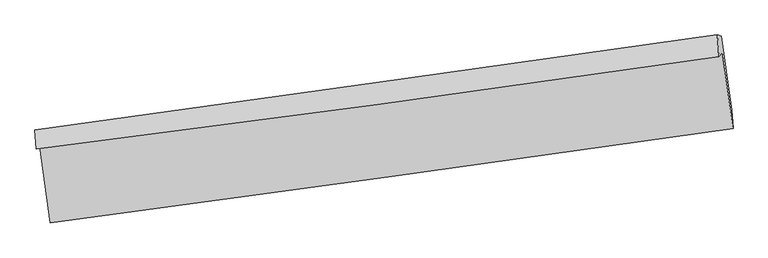
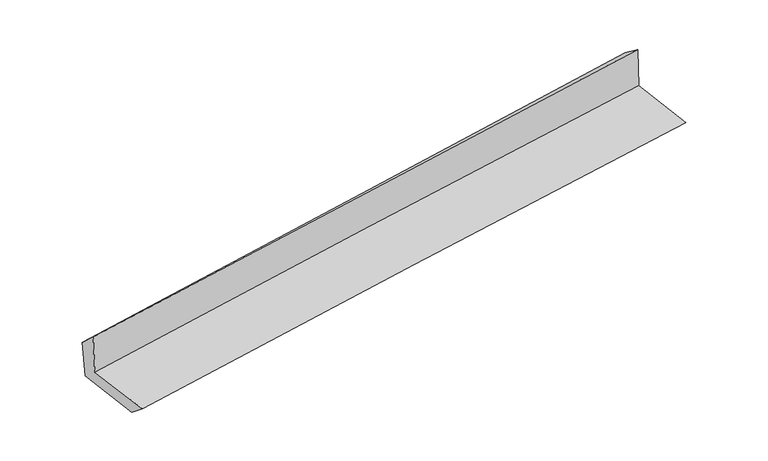
"""IFC4 building model written with IfcOpenShell, lengths in millimetres: proxy geometry."""

from ifc_helpers import new_model, si_unit, frame, origin, place, context, project, spatial, source, transform, mapped, element, save
from ifc_brep_helpers import plane_surface, spline_curve, spline_surface, advanced_brep


def generic_models_46c8a8be(model_context):
    return source(origin(), model_context, "Body", "AdvancedBrep", [
        advanced_brep(
        [(-2991.5997878, -1908.7190745, 1660.5484384), (-2897.4191816, -2573.2394533, 1639.5326971), (3040.0823155, -1752.5588305, 2108.4224684), (2947.3765078, -1089.4928907, 2132.3480038), (-3022.2988392, -1931.9209581, 2058.693187), (2916.9242483, -1124.5592408, 2546.662249), (-3032.5278362, -1764.3493285, 1905.3155999), (2903.2847903, -936.3054554, 2404.3962525), (-3001.5914559, -1760.6409231, 1536.1929605), (2936.4114827, -949.4590307, 2036.151986), (-2909.3190626, -2405.640591, 1505.7202936), (3028.0609424, -1593.4891206, 1994.0458998)],
        [
            (0, 1),
            (1, 2, spline_curve(3, [(-2897.4191816, -2573.2394533, 1639.5326971), (-1908.666266183, -2441.798801466, 1731.465688431), (-919.694983772, -2307.716687929, 1816.493532811), (1059.471834033, -2034.160687613, 1972.801122336), (2049.667717403, -1894.682593922, 2044.069868511), (3040.0823155, -1752.5588305, 2108.4224684)], [4, 2, 4], [0.0, 9.860227184264614, 19.7283043563669])),
            (2, 3),
            (3, 0, spline_curve(3, [(2947.3765078, -1089.4928907, 2132.3480038), (1956.983452373, -1233.641869731, 2068.379371122), (966.67533816, -1374.010868847, 1997.059856399), (-1012.983291805, -1647.080252123, 1839.781644164), (-2002.333943036, -1779.786647537, 1753.83463712), (-2991.5997878, -1908.7190745, 1660.5484384)], [4, 2, 4], [0.0, 9.868077172102284, 19.7283043563669])),
            (4, 0),
            (3, 5),
            (5, 4, spline_curve(3, [(2916.9242483, -1124.5592408, 2546.662249), (1927.303414303, -1269.853688719, 2475.546954451), (937.360674645, -1409.805702049, 2399.306999915), (-1042.380866299, -1678.917778153, 2236.642495679), (-2032.179155875, -1808.086337236, 2150.226096291), (-3022.2988392, -1931.9209581, 2058.693187)], [4, 2, 4], [0.0, 9.869217674498273, 19.73058445389703])),
            (6, 4),
            (5, 7),
            (7, 6, spline_curve(3, [(2903.2847903, -936.3054554, 2404.3962525), (1913.842940618, -1076.224936766, 2321.710585609), (924.274089134, -1215.215420824, 2238.761044063), (-1054.330321857, -1491.228567608, 2072.40040664), (-2043.365679107, -1628.252707824, 1988.989730844), (-3032.5278362, -1764.3493285, 1905.3155999)], [4, 2, 4], [0.0, 9.869239221935292, 19.730627531630226])),
            (8, 6),
            (7, 9),
            (9, 8, spline_curve(3, [(2936.4114827, -949.4590307, 2036.151986), (1945.87927331, -1085.706384129, 1960.50633906), (955.582787739, -1221.45525112, 1881.002150681), (-1023.75115038, -1491.848422528, 1714.3430056), (-2012.788977399, -1626.493519493, 1627.194185522), (-3001.5914559, -1760.6409231, 1536.1929605)], [4, 2, 4], [0.0, 9.869433592894538, 19.73101611892795])),
            (10, 8),
            (9, 11),
            (11, 10, spline_curve(3, [(3028.0609424, -1593.4891206, 1994.0458998), (2037.471543978, -1726.671864554, 1916.683154887), (1047.198427736, -1860.969899223, 1837.290982265), (-931.927737851, -2131.688830003, 1674.512552861), (-1920.781289684, -2268.107951811, 1591.129523312), (-2909.3190626, -2405.640591, 1505.7202936)], [4, 2, 4], [0.0, 9.868229150873509, 19.728608193011276])),
            (1, 10),
            (11, 2),
        ],
        [
            spline_surface(3, 3, [[(-2991.5997878, -1908.7190745, 1660.5484384), (-2002.33394295, -1779.786647426, 1753.834637138), (-1012.983291869, -1647.080252018, 1839.781644147), (966.675338224, -1374.010868952, 1997.059856416), (1956.983452384, -1233.6418697, 2068.379371272), (2947.3765078, -1089.4928907, 2132.3480038)], [(-2960.206252408, -2130.225867464, 1653.543191291), (-1971.111383984, -2000.457365453, 1746.378320929), (-981.88718916, -1867.292397297, 1832.018940346), (997.607503519, -1594.060808569, 1988.973611711), (1987.87820744, -1453.988777722, 2060.276203715), (2978.278443699, -1310.514870633, 2124.372825362)], [(-2928.812716992, -2351.732660336, 1646.537944209), (-1939.888824993, -2221.128083389, 1738.922004747), (-950.791086504, -2087.504542518, 1824.256236596), (1028.539668762, -1814.110748128, 1980.887367056), (2018.772962498, -1674.335685745, 2052.173036073), (3009.180379601, -1531.536850567, 2116.397646838)], [(-2897.4191816, -2573.2394533, 1639.5326971), (-1908.666266027, -2441.798801416, 1731.465688538), (-919.694983796, -2307.716687797, 1816.493532795), (1059.471834057, -2034.160687746, 1972.801122351), (2049.667717553, -1894.682593767, 2044.069868516), (3040.0823155, -1752.5588305, 2108.4224684)]], [4, 4], [4, 2, 4], [0.0, 2.1894312663570483], [0.0, 9.860227184264614, 19.7283043563669]),
            spline_surface(3, 3, [[(-3022.2988392, -1931.9209581, 2058.693187), (-2032.179156023, -1808.086337321, 2150.226096339), (-1042.380866384, -1678.917778141, 2236.6424958), (937.36067473, -1409.805702061, 2399.306999793), (1927.30341425, -1269.853688821, 2475.546954388), (2916.9242483, -1124.5592408, 2546.662249)], [(-3012.06582206, -1924.186996887, 1925.9782708), (-2022.230751658, -1798.653107343, 2018.095609939), (-1032.58167491, -1668.305269417, 2104.355545259), (947.132229197, -1397.874091009, 2265.224618677), (1937.196760277, -1257.783082471, 2339.824426678), (2927.075001449, -1112.870457457, 2408.557500596)], [(-3001.83280494, -1916.453035713, 1793.2633546), (-2012.282347314, -1789.219877404, 1885.965123538), (-1022.782483342, -1657.692760741, 1972.068594688), (956.903783757, -1385.942480004, 2131.142237532), (1947.090106357, -1245.71247605, 2204.101898981), (2937.225754651, -1101.181674043, 2270.452752204)], [(-2991.5997878, -1908.7190745, 1660.5484384), (-2002.33394295, -1779.786647426, 1753.834637138), (-1012.983291869, -1647.080252018, 1839.781644147), (966.675338224, -1374.010868952, 1997.059856416), (1956.983452384, -1233.6418697, 2068.379371272), (2947.3765078, -1089.4928907, 2132.3480038)]], [4, 4], [4, 2, 4], [0.0, 1.3190874993814505], [0.0, 9.861366779398757, 19.73058445389703]),
            spline_surface(3, 3, [[(-3032.5278362, -1764.3493285, 1905.3155999), (-2043.365678975, -1628.252707944, 1988.989730868), (-1054.330321761, -1491.228567682, 2072.40040676), (924.274089037, -1215.215420751, 2238.761043944), (1913.842940684, -1076.224936643, 2321.710585592), (2903.2847903, -936.3054554, 2404.3962525)], [(-3029.118170538, -1820.206538371, 1956.441462274), (-2039.636837996, -1688.197251075, 2042.735186032), (-1050.347169969, -1553.791637848, 2127.147769779), (928.636284267, -1280.078847868, 2292.276362566), (1918.329765219, -1140.767854032, 2372.989375174), (2907.831276313, -999.056717196, 2451.818251316)], [(-3025.708504862, -1876.063748229, 2007.567324626), (-2035.907997002, -1748.141794191, 2096.480641175), (-1046.364018176, -1616.354707974, 2181.895132781), (932.998479499, -1344.942274944, 2345.791681171), (1922.816589715, -1205.310771432, 2424.268164806), (2912.377762287, -1061.807979004, 2499.240250184)], [(-3022.2988392, -1931.9209581, 2058.693187), (-2032.179156023, -1808.086337321, 2150.226096339), (-1042.380866384, -1678.917778141, 2236.6424958), (937.36067473, -1409.805702061, 2399.306999793), (1927.30341425, -1269.853688821, 2475.546954388), (2916.9242483, -1124.5592408, 2546.662249)]], [4, 4], [4, 2, 4], [0.0, 0.8238992075808024], [0.0, 9.861388309694934, 19.730627531630226]),
            spline_surface(3, 3, [[(-3001.5914559, -1760.6409231, 1536.1929605), (-2012.788977442, -1626.493519479, 1627.194185549), (-1023.751150316, -1491.848422521, 1714.343005665), (955.582787675, -1221.455251127, 1881.002150616), (1945.8792734, -1085.706384011, 1960.506338988), (2936.4114827, -949.4590307, 2036.151986)], [(-3011.903582666, -1761.877058212, 1659.233840313), (-2022.981211286, -1627.079915613, 1747.792700668), (-1033.944207441, -1491.641804222, 1833.695472688), (945.146554818, -1219.375307649, 2000.25511505), (1935.200495807, -1082.545901566, 2080.907754526), (2925.369251879, -945.074505611, 2158.900074837)], [(-3022.215709434, -1763.113193388, 1782.274720087), (-2033.173445131, -1627.666311811, 1868.391215749), (-1044.137264635, -1491.43518598, 1953.047939737), (934.710321894, -1217.295364228, 2119.508079509), (1924.521718277, -1079.385419089, 2201.309170054), (2914.327021121, -940.689980489, 2281.648163663)], [(-3032.5278362, -1764.3493285, 1905.3155999), (-2043.365678975, -1628.252707944, 1988.989730868), (-1054.330321761, -1491.228567682, 2072.40040676), (924.274089037, -1215.215420751, 2238.761043944), (1913.842940684, -1076.224936643, 2321.710585592), (2903.2847903, -936.3054554, 2404.3962525)]], [4, 4], [4, 2, 4], [0.0, 1.1786733291752753], [0.0, 9.861582526033413, 19.73101611892795]),
            spline_surface(3, 3, [[(-2909.3190626, -2405.640591, 1505.7202936), (-1920.781289586, -2268.107951929, 1591.12952315), (-931.927737736, -2131.688829868, 1674.51255277), (1047.198427621, -1860.969899358, 1837.290982356), (2037.471544057, -1726.671864626, 1916.683154779), (3028.0609424, -1593.4891206, 1994.0458998)], [(-2940.076527015, -2190.640701697, 1515.877849229), (-1951.450518853, -2054.236474443, 1603.151077278), (-962.535541932, -1918.408694082, 1687.789370416), (1016.659880969, -1647.798349944, 1851.861371789), (2006.940787174, -1513.016704392, 1931.290882838), (2997.511122503, -1378.812423937, 2008.081261856)], [(-2970.833991485, -1975.640812403, 1526.035404871), (-1982.119748175, -1840.364996965, 1615.17263142), (-993.14334612, -1705.128558307, 1701.06618802), (986.121334326, -1434.626800541, 1866.431761182), (1976.410030283, -1299.361544246, 1945.898610929), (2966.961302597, -1164.135727363, 2022.116623944)], [(-3001.5914559, -1760.6409231, 1536.1929605), (-2012.788977442, -1626.493519479, 1627.194185549), (-1023.751150316, -1491.848422521, 1714.343005665), (955.582787675, -1221.455251127, 1881.002150616), (1945.8792734, -1085.706384011, 1960.506338988), (2936.4114827, -949.4590307, 2036.151986)]], [4, 4], [4, 2, 4], [0.0, 2.124567552277157], [0.0, 9.860379042137767, 19.728608193011276]),
            spline_surface(3, 3, [[(-2897.4191816, -2573.2394533, 1639.5326971), (-1908.666266027, -2441.798801416, 1731.465688538), (-919.694983796, -2307.716687797, 1816.493532795), (1059.471834057, -2034.160687746, 1972.801122351), (2049.667717553, -1894.682593767, 2044.069868516), (3040.0823155, -1752.5588305, 2108.4224684)], [(-2901.385808612, -2517.373165868, 1594.928562593), (-1912.704607226, -2383.901851589, 1684.686966735), (-923.772568448, -2249.04073516, 1769.166539449), (1055.380698573, -1976.430424956, 1927.631075682), (2045.602326413, -1838.679017386, 2001.607630604), (3036.075191158, -1699.535593866, 2070.296945533)], [(-2905.352435588, -2461.506878432, 1550.324428107), (-1916.742948388, -2326.004901756, 1637.908244952), (-927.850153084, -2190.364782505, 1721.839546116), (1051.289563105, -1918.700162148, 1882.461029025), (2041.536935198, -1782.675441006, 1959.145392691), (3032.068066742, -1646.512357234, 2032.171422667)], [(-2909.3190626, -2405.640591, 1505.7202936), (-1920.781289586, -2268.107951929, 1591.12952315), (-931.927737736, -2131.688829868, 1674.51255277), (1047.198427621, -1860.969899358, 1837.290982356), (2037.471544057, -1726.671864626, 1916.683154779), (3028.0609424, -1593.4891206, 1994.0458998)]], [4, 4], [4, 2, 4], [0.0, 0.7327943342044426], [0.0, 9.859016699487992, 19.725882423114683]),
            plane_surface(frame((2962.0233812, -1240.9774281, 2203.6711433), z_axis=(0.9872786618085843, 0.13500454867340497, 0.0839917601609908), x_axis=(-0.08954002779426623, 0.03555354934443533, 0.9953484457975583))),
            plane_surface(frame((-2975.7926939, -2057.4183881, 1717.6671961), z_axis=(-0.9869642384649157, -0.13722007661991642, -0.0840966263520328), x_axis=(-0.14025613080719412, 0.9896204852566892, 0.03129717129886478))),
        ],
        [
            (0, [[1, 2, 3, 4]]),
            (1, [[5, -4, 6, 7]]),
            (2, [[8, -7, 9, 10]]),
            (3, [[11, -10, 12, 13]]),
            (4, [[14, -13, 15, 16]]),
            (5, [[17, -16, 18, -2]]),
            (6, [[-12, -9, -6, -3, -18, -15]]),
            (7, [[-1, -5, -8, -11, -14, -17]]),
        ],
    ),
    ])


if __name__ == "__main__":
    model = new_model("IFC4")
    model_context = context("Model", 3, world=origin())
    ifc_project = project(units=[si_unit("LENGTHUNIT", "METRE", prefix="MILLI")], contexts=[model_context])
    site = spatial("IfcSite", under=ifc_project)
    building = spatial("IfcBuilding", under=site)
    placement = place(None, origin())
    generic_models_shape = generic_models_46c8a8be(model_context)
    element("IfcBuildingElementProxy", 1, Name="Generic Models", at=placement, inside=building, context=model_context, shape_type="MappedRepresentation", body=[
        mapped(generic_models_shape, transform((0.0, 0.0, 0.0), x_axis=(1.0, 0.0, 0.0), y_axis=(0.0, 1.0, 0.0), z_axis=(0.0, 0.0, 1.0))),
    ])
    save(model, "model.ifc")
